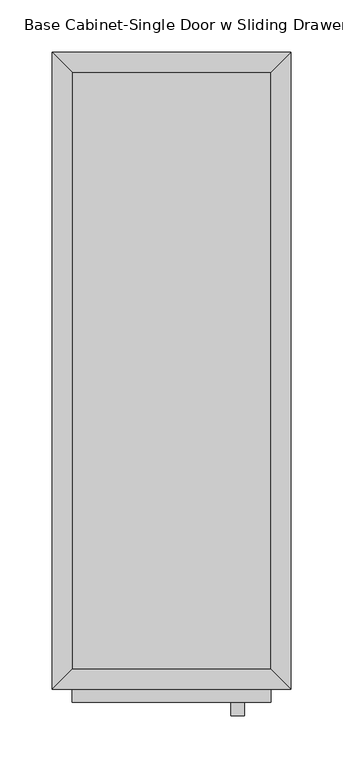
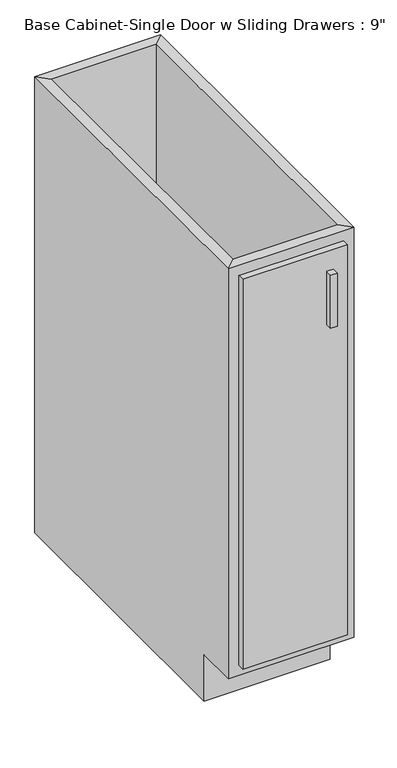
"""IFC4 building model written with IfcOpenShell, lengths in millimetres: furniture geometry."""

from ifc_helpers import new_model, si_unit, frame, origin, place, context, project, spatial, polyline, outline, extrude, faceted_brep, source, transform, mapped, element, save


def furniture_435b87ae(model_context):
    return source(origin(), model_context, "Body", "SolidModel", [
        faceted_brep([(113.9877049, -590.55, 876.3), (113.9877049, -590.55, 88.9), (-76.5122951, -590.55, 88.9), (-76.5122951, -590.55, 876.3), (-95.5622951, -609.6, 876.3), (133.0377049, -609.6, 876.3), (-95.5622951, -609.6, 88.9), (133.0377049, -609.6, 88.9), (-76.5122951, -533.4, 88.9), (-76.5122951, -19.05, 88.9), (-76.5122951, -19.05, 876.3), (-95.5622951, 0.0, 876.3), (-95.5622951, 0.0, 0.0), (-95.5622951, -533.4, 0.0), (-95.5622951, -533.4, 88.9), (113.9877049, -19.05, 88.9), (113.9877049, -19.05, 876.3), (133.0377049, 0.0, 876.3), (133.0377049, 0.0, 0.0), (113.9877049, -533.4, 88.9), (133.0377049, -533.4, 88.9), (133.0377049, -533.4, 0.0)], [[[0, 1, 2, 3]], [[0, 3, 4, 5]], [[5, 4, 6, 7]], [[2, 1, 7, 6]], [[3, 2, 8, 9, 10]], [[4, 3, 10, 11]], [[6, 4, 11, 12, 13, 14]], [[2, 6, 14, 8]], [[10, 9, 15, 16]], [[11, 10, 16, 17]], [[12, 11, 17, 18]], [[1, 0, 16, 15, 19]], [[0, 5, 17, 16]], [[5, 7, 20, 21, 18, 17]], [[7, 1, 19, 20]], [[8, 19, 15, 9]], [[18, 21, 13, 12]], [[13, 21, 20, 19, 8, 14]]]),
        extrude(outline(polyline([(113.9877049, -19.05), (113.9877049, -590.55), (-76.5122951, -590.55), (-76.5122951, -19.05), (113.9877049, -19.05)])), frame((0.0, 0.0, 88.9), z_axis=(0.0, 0.0, 1.0), x_axis=(1.0, 0.0, 0.0)), (0.0, 0.0, 1.0), 19.05),
        extrude(outline(polyline([(88.5877049, -635.0), (75.8877049, -635.0), (75.8877049, -622.3), (88.5877049, -622.3), (88.5877049, -635.0)])), frame((0.0, 0.0, 717.55), z_axis=(0.0, 0.0, 1.0), x_axis=(1.0, 0.0, 0.0)), (0.0, 0.0, 1.0), 101.6),
        extrude(outline(polyline([(113.9877049, -622.3), (-76.5122951, -622.3), (-76.5122951, -609.6), (113.9877049, -609.6), (113.9877049, -622.3)])), frame((0.0, 0.0, 107.95), z_axis=(0.0, 0.0, 1.0), x_axis=(1.0, 0.0, 0.0)), (0.0, 0.0, 1.0), 749.3),
    ])


if __name__ == "__main__":
    model = new_model("IFC4")
    model_context = context("Model", 3, world=origin())
    ifc_project = project(units=[si_unit("LENGTHUNIT", "METRE", prefix="MILLI")], contexts=[model_context])
    site = spatial("IfcSite", under=ifc_project)
    building = spatial("IfcBuilding", under=site)
    placement = place(None, origin())
    furniture_shape = furniture_435b87ae(model_context)
    element("IfcFurniture", 1, ObjectType="Base Cabinet-Single Door w Sliding Drawers : 9\"", at=placement, inside=building, context=model_context, shape_type="MappedRepresentation", body=[
        mapped(furniture_shape, transform((0.0, 0.0, 0.0), x_axis=(1.0, 0.0, 0.0), y_axis=(0.0, 1.0, 0.0), z_axis=(0.0, 0.0, 1.0))),
    ])
    save(model, "model.ifc")
